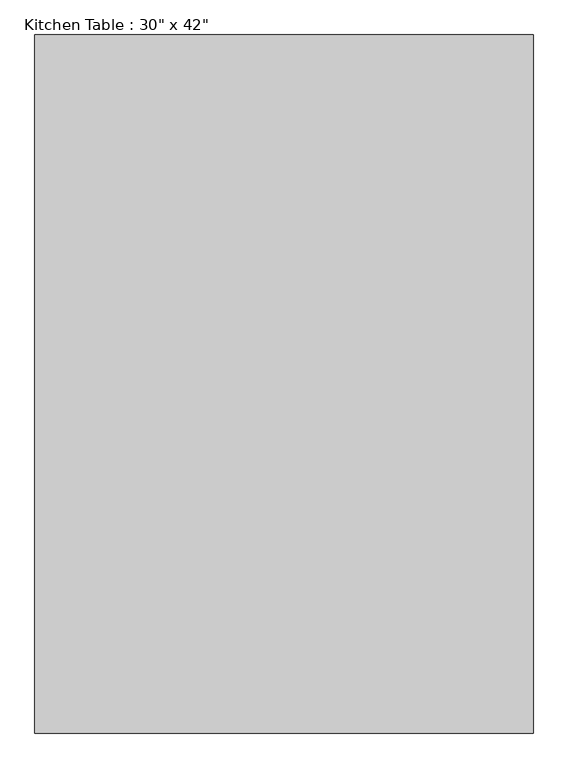
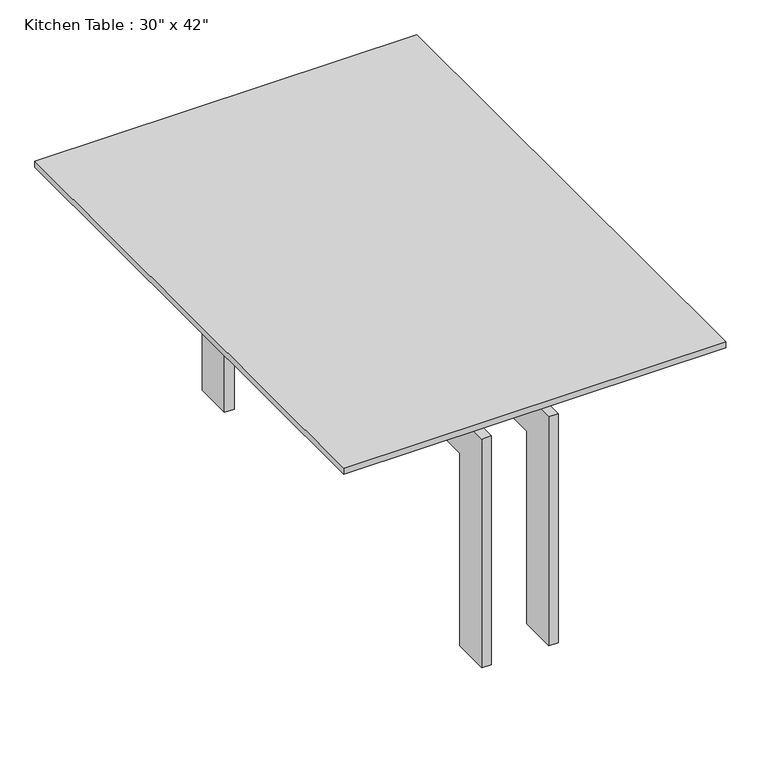
"""IFC4 building model written with IfcOpenShell, lengths in millimetres: furniture geometry."""

import ifcopenshell
import ifcopenshell.guid

model = None  # the IFC model being written
_history = None  # IfcOwnerHistory: only IFC2X3 demands one
_inside = {}  # id of a spatial element -> (the spatial element, [elements in it])
_under = {}  # id of a project, library or spatial element -> (it, [spatial elements below it])
_declared = {}  # id of a project -> (the project, [libraries it declares])
_typed = {}  # id of a type object -> (the type object, [elements of that type])
_made_of = {}  # id of a material, layer set ... -> (it, [elements and type objects made of it])


def new_model(schema):
    """Start an empty IFC model of exactly this schema.

    Asked for "IFC4X3", IfcOpenShell would pick the latest addendum, in which some entities
    have other attributes; the version numbers below select the first issue.
    IFC2X3 requires an IfcOwnerHistory on every rooted entity: one is made here for all.
    """
    global model, _history
    if schema == "IFC4X3":
        model = ifcopenshell.file(schema_version=(4, 3, 0, 0))
    else:
        model = ifcopenshell.file(schema=schema)
    _inside.clear()
    _under.clear()
    _declared.clear()
    _typed.clear()
    _made_of.clear()
    _history = None
    if model.schema == "IFC2X3":
        org = make("IfcOrganization", Name="unknown")
        user = make(
            "IfcPersonAndOrganization",
            ThePerson=make("IfcPerson", FamilyName="unknown"),
            TheOrganization=org,
        )
        app = make(
            "IfcApplication",
            ApplicationDeveloper=org,
            Version="unknown",
            ApplicationFullName="unknown",
            ApplicationIdentifier="unknown",
        )
        _history = make(
            "IfcOwnerHistory",
            OwningUser=user,
            OwningApplication=app,
            ChangeAction="ADDED",
            CreationDate=0,
        )
    return model


def make(cls, **values):
    """One entity of the class cls with the attributes given. An attribute that is None is left unset."""
    return model.create_entity(
        cls, **{name: value for name, value in values.items() if value is not None}
    )


def rooted(cls, **values):
    """An entity with a GlobalId (a new one), such as an element, a storey or a relation."""
    return make(cls, GlobalId=ifcopenshell.guid.new(), OwnerHistory=_history, **values)


def si_unit(unit_type, name, prefix=None):
    """IfcSIUnit, for example si_unit("LENGTHUNIT", "METRE", prefix="MILLI")."""
    return make("IfcSIUnit", UnitType=unit_type, Prefix=prefix, Name=name)


def assignment(units):
    """IfcUnitAssignment: the units of a project."""
    return None if units is None else make("IfcUnitAssignment", Units=units)


def point(xyz):
    """IfcCartesianPoint."""
    return None if xyz is None else make("IfcCartesianPoint", Coordinates=xyz)


def direction(xyz):
    """IfcDirection."""
    return None if xyz is None else make("IfcDirection", DirectionRatios=xyz)


def frame(location, z_axis=None, x_axis=None):
    """IfcAxis2Placement3D, a coordinate frame: its origin and axes. An axis left out is left unset."""
    return make(
        "IfcAxis2Placement3D",
        Location=point(location),
        Axis=direction(z_axis),
        RefDirection=direction(x_axis),
    )


def origin():
    """The frame at (0, 0, 0) with its axes left unset."""
    return frame((0.0, 0.0, 0.0))


def place(relative_to, where):
    """IfcLocalPlacement: puts the frame where relative to a parent placement (None: the world)."""
    return make(
        "IfcLocalPlacement", PlacementRelTo=relative_to, RelativePlacement=where
    )


def context(
    kind, dimensions, precision=None, world=None, true_north=None, identifier=None
):
    """IfcGeometricRepresentationContext, for example the 3D "Model" context."""
    return make(
        "IfcGeometricRepresentationContext",
        ContextIdentifier=identifier,
        ContextType=kind,
        CoordinateSpaceDimension=dimensions,
        Precision=precision,
        WorldCoordinateSystem=world,
        TrueNorth=true_north,
    )


def project(units=None, contexts=None):
    """IfcProject with its units and contexts."""
    return rooted(
        "IfcProject",
        Name="project",
        RepresentationContexts=contexts,
        UnitsInContext=assignment(units),
    )


def spatial(cls, under=None, at=None, **own):
    """A site, building, storey or space (cls), placed at a placement, below another one or the project."""
    s = rooted(cls, ObjectPlacement=at, **own)
    if under is not None:
        _under.setdefault(under.id(), (under, []))[1].append(s)
    return s


def polyline(points):
    """IfcPolyline through the points."""
    return make("IfcPolyline", Points=[point(p) for p in points])


def outline(outer, holes=None, kind="AREA"):
    """IfcArbitraryClosedProfileDef: a profile drawn as a closed curve; with holes, ...WithVoids."""
    if holes is None:
        return make("IfcArbitraryClosedProfileDef", ProfileType=kind, OuterCurve=outer)
    return make(
        "IfcArbitraryProfileDefWithVoids",
        ProfileType=kind,
        OuterCurve=outer,
        InnerCurves=holes,
    )


def extrude(swept, where, along, depth):
    """IfcExtrudedAreaSolid: the profile swept, set in the frame where, extruded along a direction by depth."""
    return make(
        "IfcExtrudedAreaSolid",
        SweptArea=swept,
        Position=where,
        ExtrudedDirection=direction(along),
        Depth=depth,
    )


def shape(context_of_items, identifier, shape_type, items):
    """IfcShapeRepresentation: the items that make up one representation, for example the "Body"."""
    return make(
        "IfcShapeRepresentation",
        ContextOfItems=context_of_items,
        RepresentationIdentifier=identifier,
        RepresentationType=shape_type,
        Items=items,
    )


def source(mapping_origin, context_of_items, identifier, shape_type, items):
    """IfcRepresentationMap: a shape defined once, which mapped items show again and again."""
    return make(
        "IfcRepresentationMap",
        MappingOrigin=mapping_origin,
        MappedRepresentation=shape(context_of_items, identifier, shape_type, items),
    )


def transform(
    local_origin,
    x_axis=None,
    y_axis=None,
    z_axis=None,
    scale=None,
    scale2=None,
    scale3=None,
    uniform=True,
):
    """IfcCartesianTransformationOperator3D, or its non-uniform kind. x_axis, y_axis, z_axis: its Axis1, 2, 3."""
    if uniform:
        return make(
            "IfcCartesianTransformationOperator3D",
            Axis1=direction(x_axis),
            Axis2=direction(y_axis),
            LocalOrigin=point(local_origin),
            Scale=scale,
            Axis3=direction(z_axis),
        )
    return make(
        "IfcCartesianTransformationOperator3DnonUniform",
        Axis1=direction(x_axis),
        Axis2=direction(y_axis),
        LocalOrigin=point(local_origin),
        Scale=scale,
        Axis3=direction(z_axis),
        Scale2=scale2,
        Scale3=scale3,
    )


def mapped(mapping_source, mapping_target):
    """IfcMappedItem: shows the shape of a source again, moved by a transform."""
    return make(
        "IfcMappedItem", MappingSource=mapping_source, MappingTarget=mapping_target
    )


def made_of(thing, what):
    """Note that an element or type object is made of a material, layer set ...; save() writes the relation."""
    if what is not None:
        _made_of.setdefault(what.id(), (what, []))[1].append(thing)
    return thing


def element(
    cls,
    number,
    at=None,
    inside=None,
    cuts=None,
    type_object=None,
    material=None,
    context=None,
    identifier="Body",
    shape_type=None,
    held_by="IfcProductDefinitionShape",
    body=None,
    shapes=None,
    **own,
):
    """One element of the class cls, such as IfcWall. Its Tag is "e" and its number.

    at: its placement. inside: the storey or other place that contains it. cuts: it is an
    opening in that element (IfcRelVoidsElement). A single representation is given by context,
    identifier, shape_type and body (its items); several are given by shapes. held_by: the class
    of the entity that holds the representations. save() writes the other relations.
    """
    e = rooted(cls, Tag="e%d" % number, ObjectPlacement=at, **own)
    if body is not None:
        shapes = [shape(context, identifier, shape_type, body)]
    if shapes is not None:
        e.Representation = make(held_by, Representations=shapes)
    if inside is not None:
        _inside.setdefault(inside.id(), (inside, []))[1].append(e)
    if cuts is not None:
        rooted(
            "IfcRelVoidsElement", RelatingBuildingElement=cuts, RelatedOpeningElement=e
        )
    if type_object is not None:
        _typed.setdefault(type_object.id(), (type_object, []))[1].append(e)
    return made_of(e, material)


def aggregate(whole, parts):
    """IfcRelAggregates: a whole, such as a stair, and the parts it consists of."""
    return rooted("IfcRelAggregates", RelatingObject=whole, RelatedObjects=parts)


def save(model, path):
    """Write the relations noted so far, then the file.

    IfcRelAggregates (storeys below a building ...), IfcRelContainedInSpatialStructure (elements
    in a storey), IfcRelDefinesByType, IfcRelAssociatesMaterial and IfcRelDeclares: one each for
    every whole, place, type object, material and project.
    """
    for whole, parts in _under.values():
        aggregate(whole, parts)
    for where, things in _inside.values():
        rooted(
            "IfcRelContainedInSpatialStructure",
            RelatedElements=things,
            RelatingStructure=where,
        )
    for kind, things in _typed.values():
        rooted("IfcRelDefinesByType", RelatedObjects=things, RelatingType=kind)
    for what, things in _made_of.values():
        rooted("IfcRelAssociatesMaterial", RelatedObjects=things, RelatingMaterial=what)
    for by, libraries in _declared.values():
        rooted("IfcRelDeclares", RelatingContext=by, RelatedDefinitions=libraries)
    model.write(path)


def furniture_ecf871e7(model_context):
    return source(origin(), model_context, "Body", "SweptSolid", [
        extrude(outline(polyline([(297.6657667, 297.7823857), (297.6657667, 272.3823857), (-261.1342333, 272.3823857), (-261.1342333, 297.7823857), (297.6657667, 297.7823857)])), frame((0.0, 0.0, 482.6), z_axis=(0.0, 0.0, 1.0), x_axis=(1.0, 0.0, 0.0)), (0.0, 0.0, 1.0), 63.5),
        extrude(outline(polyline([(297.6657667, -82.5889222), (297.6657667, -107.9889222), (-261.1342333, -107.9889222), (-261.1342333, -82.5889222), (297.6657667, -82.5889222)])), frame((0.0, 0.0, 482.6), z_axis=(0.0, 0.0, 1.0), x_axis=(1.0, 0.0, 0.0)), (0.0, 0.0, 1.0), 63.5),
        extrude(outline(polyline([(577.8110778, 0.0), (501.6110778, 0.0), (501.6110778, 406.4), (-311.1889222, 406.4), (-311.1889222, 0.0), (-387.3889222, 0.0), (-387.3889222, 482.6), (577.8110778, 482.6), (577.8110778, 0.0)])), frame((75.4157667, 0.0, 0.0), z_axis=(1.0, 0.0, 0.0), x_axis=(0.0, 1.0, 0.0)), (0.0, 0.0, 1.0), 19.05),
        extrude(outline(polyline([(577.8110778, 482.6), (577.8110778, 0.0), (501.6110778, 0.0), (501.6110778, 406.4), (-311.1889222, 406.4), (-311.1889222, 0.0), (-387.3889222, 0.0), (-387.3889222, 482.6), (577.8110778, 482.6)])), frame((-57.9342333, 0.0, 0.0), z_axis=(1.0, 0.0, 0.0), x_axis=(0.0, 1.0, 0.0)), (0.0, 0.0, 1.0), 19.05),
        extrude(outline(polyline([(399.2657667, 628.6110778), (399.2657667, -438.1889222), (-362.7342333, -438.1889222), (-362.7342333, 628.6110778), (399.2657667, 628.6110778)])), frame((0.0, 0.0, 546.1), z_axis=(0.0, 0.0, 1.0), x_axis=(1.0, 0.0, 0.0)), (0.0, 0.0, 1.0), 12.7),
    ])


if __name__ == "__main__":
    model = new_model("IFC4")
    model_context = context("Model", 3, world=origin())
    ifc_project = project(units=[si_unit("LENGTHUNIT", "METRE", prefix="MILLI")], contexts=[model_context])
    site = spatial("IfcSite", under=ifc_project)
    building = spatial("IfcBuilding", under=site)
    placement = place(None, origin())
    furniture_shape = furniture_ecf871e7(model_context)
    element("IfcFurniture", 1, ObjectType="Kitchen Table : 30\" x 42\"", at=placement, inside=building, context=model_context, shape_type="MappedRepresentation", body=[
        mapped(furniture_shape, transform((0.0, 0.0, 0.0), x_axis=(1.0, 0.0, 0.0), y_axis=(0.0, 1.0, 0.0), z_axis=(0.0, 0.0, 1.0))),
    ])
    save(model, "model.ifc")
